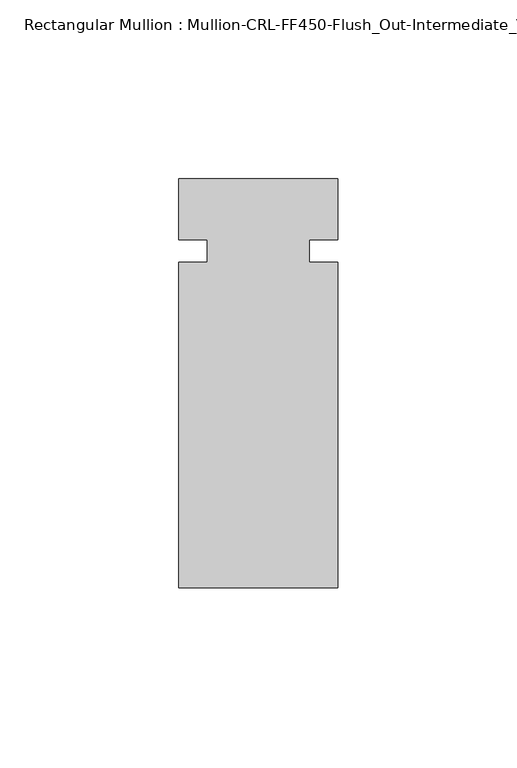
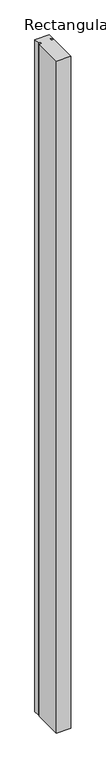
"""IFC4 building model written with IfcOpenShell, lengths in millimetres: member geometry, Rectangular Mullion : Mullion-CRL-FF450-Flush_Out-Intermediate_Vertical."""

from ifc_helpers import new_model, si_unit, frame, origin, place, context, project, spatial, polyline, outline, extrude, source, transform, mapped, element, save


def rectangular_mullion_mullion_crl_ff450_flush_out_intermediate_3d52168d(model_context):
    return source(origin(), model_context, "Body", "SweptSolid", [
        extrude(outline(polyline([(-22.2250604, -3.1555912), (-14.2875604, -3.1555912), (-14.2875604, 3.1944088), (-22.2250604, 3.1944088), (-22.2250604, 20.160815), (22.2249797, 20.160815), (22.2249797, 3.1944088), (14.2874797, 3.1944088), (14.2874797, -3.1555912), (22.2249797, -3.1555912), (22.2249797, -94.139185), (-22.2250604, -94.139185), (-22.2250604, -3.1555912)])), frame((0.0, 0.0, -2174.875), z_axis=(0.0, 0.0, 1.0), x_axis=(1.0, 0.0, 0.0)), (0.0, 0.0, 1.0), 2174.875),
    ])


if __name__ == "__main__":
    model = new_model("IFC4")
    model_context = context("Model", 3, world=origin())
    ifc_project = project(units=[si_unit("LENGTHUNIT", "METRE", prefix="MILLI")], contexts=[model_context])
    site = spatial("IfcSite", under=ifc_project)
    building = spatial("IfcBuilding", under=site)
    placement = place(None, origin())
    rectangular_mullion_mullion_crl_ff450_flush_out_intermediate_shape = rectangular_mullion_mullion_crl_ff450_flush_out_intermediate_3d52168d(model_context)
    element("IfcMember", 1, ObjectType="Rectangular Mullion : Mullion-CRL-FF450-Flush_Out-Intermediate_Vertical", at=placement, inside=building, context=model_context, shape_type="MappedRepresentation", body=[
        mapped(rectangular_mullion_mullion_crl_ff450_flush_out_intermediate_shape, transform((0.0, 0.0, 0.0), x_axis=(1.0, 0.0, 0.0), y_axis=(0.0, 1.0, 0.0), z_axis=(0.0, 0.0, 1.0))),
    ])
    save(model, "model.ifc")
